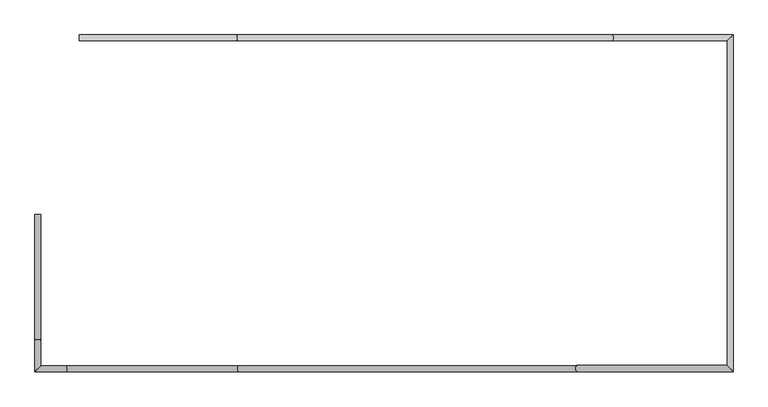
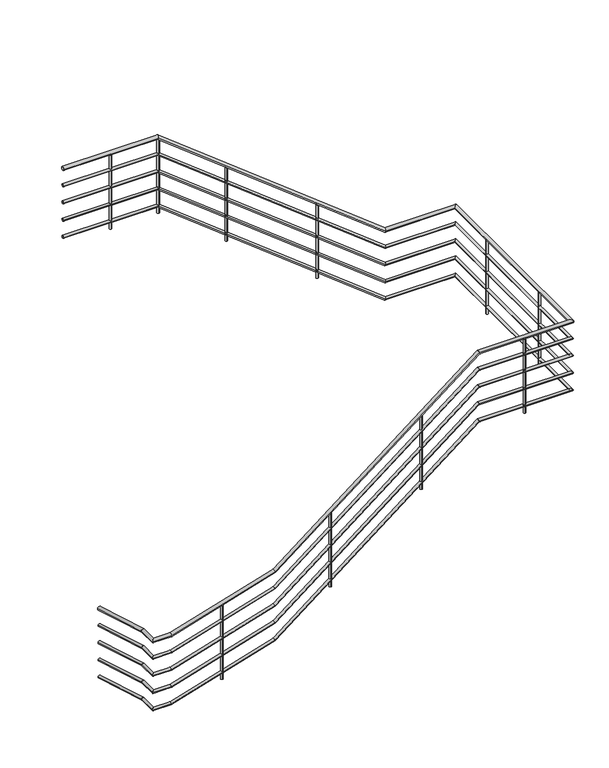
"""IFC4 building model written with IfcOpenShell, lengths in millimetres: railing geometry."""

from ifc_helpers import new_model, si_unit, point, frame, frame_2d, origin, place, context, project, spatial, circle_curve, ellipse_curve, trimmed, segment, composite_curve, outline, extrude, source, transform, mapped, element, save
from ifc_brep_helpers import plane_surface, cylinder_surface, advanced_brep


def railing_caa4fcf6(model_context):
    return source(origin(), model_context, "Body", "SolidModel", [
        advanced_brep(
        [(-3200.9784025, 14849.6868987, 1174.7979458), (-3240.9784025, 14849.6868987, 1174.7979458), (-3200.9784025, 14015.8414919, 1421.0960026), (-3240.9784025, 14015.8414919, 1421.0960026), (-3200.9784025, 13844.6868987, 1421.0960026), (-3240.9784025, 13804.6868987, 1421.0960026), (-3027.6146824, 13844.6868987, 1421.0960026), (-3027.6146824, 13804.6868987, 1421.0960026), (-1886.6133154, 13844.6868987, 1764.5412302), (-1886.6133154, 13804.6868987, 1764.5412302), (360.917335, 13844.6868987, 3523.4782609), (360.917335, 13804.6868987, 3523.4782609), (1359.0215975, 13844.6868987, 3523.4782609), (1399.0215975, 13804.6868987, 3523.4782609), (1359.0215975, 16004.6868987, 3523.4782609), (1399.0215975, 16044.6868987, 3523.4782609), (597.12586, 16004.6868987, 3523.4782609), (597.12586, 16044.6868987, 3523.4782609), (-1902.87414, 16004.6868987, 5480.0), (-1902.87414, 16044.6868987, 5480.0), (-2945.9784025, 16004.6868987, 5480.0), (-2945.9784025, 16044.6868987, 5480.0)],
        [
            (0, 1, ellipse_curve(frame((-3220.9784025, 14849.6868987, 1174.7979458), z_axis=(0.0, 1.0, 0.0), x_axis=(0.0, 0.0, -1.0)), 20.8542281, 20.0)),
            (1, 0, ellipse_curve(frame((-3220.9784025, 14849.6868987, 1174.7979458), z_axis=(0.0, 1.0, 0.0), x_axis=(0.0, 0.0, -1.0)), 20.8542281, 20.0)),
            (0, 2),
            (2, 3, ellipse_curve(frame((-3220.9784025, 14015.8414919, 1421.0960026), z_axis=(0.0, 0.9897065555705843, -0.14311161329748837), x_axis=(0.0, -0.14311161329748787, -0.9897065555705845)), 20.20801, 20.0)),
            (3, 1),
            (3, 2, ellipse_curve(frame((-3220.9784025, 14015.8414919, 1421.0960026), z_axis=(0.0, 0.9897065555705843, -0.14311161329748837), x_axis=(0.0, -0.14311161329748787, -0.9897065555705845)), 20.20801, 20.0)),
            (2, 4),
            (4, 5, ellipse_curve(frame((-3220.9784025, 13824.6868987, 1421.0960026), z_axis=(-0.7071067811865457, 0.7071067811865495, 0.0), x_axis=(0.7071067811865496, 0.7071067811865456, 0.0)), 28.2842712, 20.0)),
            (5, 3),
            (5, 4, ellipse_curve(frame((-3220.9784025, 13824.6868987, 1421.0960026), z_axis=(-0.7071067811865457, 0.7071067811865495, 0.0), x_axis=(0.7071067811865496, 0.7071067811865456, 0.0)), 28.2842712, 20.0)),
            (4, 6),
            (6, 7, ellipse_curve(frame((-3027.6146824, 13824.6868987, 1421.0960026), z_axis=(-0.9893334749202307, 0.0, -0.14566837474984434), x_axis=(-0.1456683747498451, 0.0, 0.9893334749202306)), 20.2156305, 20.0)),
            (7, 5),
            (7, 6, ellipse_curve(frame((-3027.6146824, 13824.6868987, 1421.0960026), z_axis=(-0.9893334749202307, 0.0, -0.14566837474984434), x_axis=(-0.1456683747498451, 0.0, 0.9893334749202306)), 20.2156305, 20.0)),
            (6, 8),
            (8, 9, ellipse_curve(frame((-1886.6133154, 13824.6868987, 1764.5412302), z_axis=(-0.8878193491837231, 0.0, -0.4601921372807127), x_axis=(-0.46019213728071345, 0.0, 0.8878193491837229)), 20.3503849, 20.0)),
            (9, 7),
            (9, 8, ellipse_curve(frame((-1886.6133154, 13824.6868987, 1764.5412302), z_axis=(-0.8878193491837231, 0.0, -0.4601921372807127), x_axis=(-0.46019213728071345, 0.0, 0.8878193491837229)), 20.3503849, 20.0)),
            (8, 10),
            (10, 11, ellipse_curve(frame((360.917335, 13824.6868987, 3523.4782609), z_axis=(-0.9453848425396894, 0.0, -0.3259562846398379), x_axis=(0.3259562846398384, 0.0, -0.9453848425396891)), 21.1554058, 20.0)),
            (11, 9),
            (11, 10, ellipse_curve(frame((360.917335, 13824.6868987, 3523.4782609), z_axis=(-0.9453848425396894, 0.0, -0.3259562846398379), x_axis=(0.3259562846398384, 0.0, -0.9453848425396891)), 21.1554058, 20.0)),
            (10, 12),
            (12, 13, ellipse_curve(frame((1379.0215975, 13824.6868987, 3523.4782609), z_axis=(-0.7071067811865476, -0.7071067811865474, 0.0), x_axis=(-0.7071067811865475, 0.7071067811865475, 0.0)), 28.2842712, 20.0)),
            (13, 11),
            (13, 12, ellipse_curve(frame((1379.0215975, 13824.6868987, 3523.4782609), z_axis=(-0.7071067811865476, -0.7071067811865474, 0.0), x_axis=(-0.7071067811865475, 0.7071067811865475, 0.0)), 28.2842712, 20.0)),
            (12, 14),
            (14, 15, ellipse_curve(frame((1379.0215975, 16024.6868987, 3523.4782609), z_axis=(0.707106781186545, -0.7071067811865498, 0.0), x_axis=(-0.7071067811865497, -0.7071067811865454, 0.0)), 28.2842712, 20.0)),
            (15, 13),
            (15, 14, ellipse_curve(frame((1379.0215975, 16024.6868987, 3523.4782609), z_axis=(0.707106781186545, -0.7071067811865498, 0.0), x_axis=(-0.7071067811865497, -0.7071067811865454, 0.0)), 28.2842712, 20.0)),
            (14, 16),
            (16, 17, ellipse_curve(frame((597.12586, 16024.6868987, 3523.4782609), z_axis=(0.9453848425396891, 0.0, -0.32595628463983795), x_axis=(0.3259562846398383, 0.0, 0.9453848425396892)), 21.1554058, 20.0)),
            (17, 15),
            (17, 16, ellipse_curve(frame((597.12586, 16024.6868987, 3523.4782609), z_axis=(0.9453848425396891, 0.0, -0.32595628463983795), x_axis=(0.3259562846398383, 0.0, 0.9453848425396892)), 21.1554058, 20.0)),
            (16, 18),
            (18, 19, ellipse_curve(frame((-1902.87414, 16024.6868987, 5480.0), z_axis=(0.9453848425396891, 0.0, -0.3259562846398379), x_axis=(-0.3259562846398378, 0.0, -0.9453848425396891)), 21.1554058, 20.0)),
            (19, 17),
            (19, 18, ellipse_curve(frame((-1902.87414, 16024.6868987, 5480.0), z_axis=(0.9453848425396891, 0.0, -0.3259562846398379), x_axis=(-0.3259562846398378, 0.0, -0.9453848425396891)), 21.1554058, 20.0)),
            (20, 21, circle_curve(frame((-2945.9784025, 16024.6868987, 5480.0), z_axis=(-1.0, 0.0, 0.0), x_axis=(0.0, 1.0, 0.0)), 20.0)),
            (21, 20, circle_curve(frame((-2945.9784025, 16024.6868987, 5480.0), z_axis=(-1.0, 0.0, 0.0), x_axis=(0.0, 1.0, 0.0)), 20.0)),
            (18, 20),
            (21, 19),
        ],
        [
            plane_surface(frame((-3220.9784025, 14849.6868987, 1195.6521739), z_axis=(0.0, 1.0, 0.0), x_axis=(0.0, 0.0, -1.0))),
            cylinder_surface(frame((-3220.9784025, 14844.0213586, 1176.4714113), z_axis=(0.0, 0.9590381322787803, -0.2832770037176134), x_axis=(-1.0, 0.0, 0.0)), 20.0),
            cylinder_surface(frame((-3220.9784025, 14018.7334928, 1421.0960026), z_axis=(0.0, 1.0, 0.0), x_axis=(-1.0, 0.0, 0.0)), 20.0),
            cylinder_surface(frame((-3220.9784025, 13824.6868987, 1421.0960026), z_axis=(-1.0, 0.0, 0.0), x_axis=(0.0, -1.0, 0.0)), 20.0),
            cylinder_surface(frame((-3024.7948765, 13824.6868987, 1421.9447736), z_axis=(-0.9575614491954779, 0.0, -0.2882291987544919), x_axis=(0.0, -1.0, 0.0)), 20.0),
            cylinder_surface(frame((-1883.6522373, 13824.6868987, 1766.8585956), z_axis=(-0.787505001007586, 0.0, -0.6163082616581105), x_axis=(0.0, -1.0, 0.0)), 20.0),
            cylinder_surface(frame((354.0215975, 13824.6868987, 3523.4782609), z_axis=(-1.0, 0.0, 0.0), x_axis=(0.0, -1.0, 0.0)), 20.0),
            cylinder_surface(frame((1379.0215975, 13824.6868987, 3523.4782609), z_axis=(0.0, -1.0, 0.0), x_axis=(1.0, 0.0, 0.0)), 20.0),
            cylinder_surface(frame((1379.0215975, 16024.6868987, 3523.4782609), z_axis=(1.0, 0.0, 0.0), x_axis=(0.0, 1.0, 0.0)), 20.0),
            cylinder_surface(frame((591.6954323, 16024.6868987, 3527.7281608), z_axis=(0.7875050010075859, 0.0, -0.6163082616581107), x_axis=(0.0, 1.0, 0.0)), 20.0),
            plane_surface(frame((-2945.9784025, 16024.6868987, 5500.0), z_axis=(-1.0, 0.0, 0.0), x_axis=(0.0, -1.0, 0.0))),
            cylinder_surface(frame((-1895.9784025, 16024.6868987, 5480.0), z_axis=(1.0, 0.0, 0.0), x_axis=(0.0, 1.0, 0.0)), 20.0),
        ],
        [
            (0, [[1, 2]]),
            (1, [[-1, 3, 4, 5]]),
            (1, [[-2, -5, 6, -3]]),
            (2, [[-4, 7, 8, 9]]),
            (2, [[-6, -9, 10, -7]]),
            (3, [[-8, 11, 12, 13]]),
            (3, [[-10, -13, 14, -11]]),
            (4, [[-12, 15, 16, 17]]),
            (4, [[-14, -17, 18, -15]]),
            (5, [[-16, 19, 20, 21]]),
            (5, [[-18, -21, 22, -19]]),
            (6, [[-20, 23, 24, 25]]),
            (6, [[-22, -25, 26, -23]]),
            (7, [[-24, 27, 28, 29]]),
            (7, [[-26, -29, 30, -27]]),
            (8, [[-28, 31, 32, 33]]),
            (8, [[-30, -33, 34, -31]]),
            (9, [[-32, 35, 36, 37]]),
            (9, [[-34, -37, 38, -35]]),
            (10, [[39, 40]]),
            (11, [[-36, 41, -40, 42]]),
            (11, [[-38, -42, -39, -41]]),
        ],
    ),
        advanced_brep(
        [(-3205.9784025, 14849.6868987, 980.0115028), (-3235.9784025, 14849.6868987, 980.0115028), (-3205.9784025, 14016.5644921, 1226.0960026), (-3235.9784025, 14016.5644921, 1226.0960026), (-3205.9784025, 13839.6868987, 1226.0960026), (-3235.9784025, 13809.6868987, 1226.0960026), (-3028.3508769, 13839.6868987, 1226.0960026), (-3028.3508769, 13809.6868987, 1226.0960026), (-1888.9545872, 13839.6868987, 1569.0580965), (-1888.9545872, 13809.6868987, 1569.0580965), (359.1934006, 13839.6868987, 3328.4782609), (359.1934006, 13809.6868987, 3328.4782609), (1364.0215975, 13839.6868987, 3328.4782609), (1394.0215975, 13809.6868987, 3328.4782609), (1364.0215975, 16009.6868987, 3328.4782609), (1394.0215975, 16039.6868987, 3328.4782609), (598.8497944, 16009.6868987, 3328.4782609), (598.8497944, 16039.6868987, 3328.4782609), (-1901.1502056, 16009.6868987, 5285.0), (-1901.1502056, 16039.6868987, 5285.0), (-2945.9784025, 16009.6868987, 5285.0), (-2945.9784025, 16039.6868987, 5285.0)],
        [
            (0, 1, ellipse_curve(frame((-3220.9784025, 14849.6868987, 980.0115028), z_axis=(0.0, 1.0, 0.0), x_axis=(0.0, 0.0, -1.0)), 15.6406711, 15.0)),
            (1, 0, ellipse_curve(frame((-3220.9784025, 14849.6868987, 980.0115028), z_axis=(0.0, 1.0, 0.0), x_axis=(0.0, 0.0, -1.0)), 15.6406711, 15.0)),
            (0, 2),
            (2, 3, ellipse_curve(frame((-3220.9784025, 14016.5644921, 1226.0960026), z_axis=(0.0, 0.9897065555705843, -0.14311161329748837), x_axis=(0.0, -0.14311161329748787, -0.9897065555705845)), 15.1560075, 15.0)),
            (3, 1),
            (3, 2, ellipse_curve(frame((-3220.9784025, 14016.5644921, 1226.0960026), z_axis=(0.0, 0.9897065555705843, -0.14311161329748837), x_axis=(0.0, -0.14311161329748787, -0.9897065555705845)), 15.1560075, 15.0)),
            (2, 4),
            (4, 5, ellipse_curve(frame((-3220.9784025, 13824.6868987, 1226.0960026), z_axis=(-0.7071067811865457, 0.7071067811865495, 0.0), x_axis=(0.7071067811865496, 0.7071067811865456, 0.0)), 21.2132034, 15.0)),
            (5, 3),
            (5, 4, ellipse_curve(frame((-3220.9784025, 13824.6868987, 1226.0960026), z_axis=(-0.7071067811865457, 0.7071067811865495, 0.0), x_axis=(0.7071067811865496, 0.7071067811865456, 0.0)), 21.2132034, 15.0)),
            (4, 6),
            (6, 7, ellipse_curve(frame((-3028.3508769, 13824.6868987, 1226.0960026), z_axis=(-0.9893334749202307, 0.0, -0.14566837474984434), x_axis=(-0.1456683747498451, 0.0, 0.9893334749202306)), 15.1617229, 15.0)),
            (7, 5),
            (7, 6, ellipse_curve(frame((-3028.3508769, 13824.6868987, 1226.0960026), z_axis=(-0.9893334749202307, 0.0, -0.14566837474984434), x_axis=(-0.1456683747498451, 0.0, 0.9893334749202306)), 15.1617229, 15.0)),
            (6, 8),
            (8, 9, ellipse_curve(frame((-1888.9545872, 13824.6868987, 1569.0580965), z_axis=(-0.8878193491837231, 0.0, -0.4601921372807127), x_axis=(-0.46019213728071345, 0.0, 0.8878193491837229)), 15.2627887, 15.0)),
            (9, 7),
            (9, 8, ellipse_curve(frame((-1888.9545872, 13824.6868987, 1569.0580965), z_axis=(-0.8878193491837231, 0.0, -0.4601921372807127), x_axis=(-0.46019213728071345, 0.0, 0.8878193491837229)), 15.2627887, 15.0)),
            (8, 10),
            (10, 11, ellipse_curve(frame((359.1934006, 13824.6868987, 3328.4782609), z_axis=(-0.9453848425396894, 0.0, -0.3259562846398379), x_axis=(0.3259562846398384, 0.0, -0.9453848425396891)), 15.8665544, 15.0)),
            (11, 9),
            (11, 10, ellipse_curve(frame((359.1934006, 13824.6868987, 3328.4782609), z_axis=(-0.9453848425396894, 0.0, -0.3259562846398379), x_axis=(0.3259562846398384, 0.0, -0.9453848425396891)), 15.8665544, 15.0)),
            (10, 12),
            (12, 13, ellipse_curve(frame((1379.0215975, 13824.6868987, 3328.4782609), z_axis=(-0.7071067811865476, -0.7071067811865474, 0.0), x_axis=(-0.7071067811865475, 0.7071067811865475, 0.0)), 21.2132034, 15.0)),
            (13, 11),
            (13, 12, ellipse_curve(frame((1379.0215975, 13824.6868987, 3328.4782609), z_axis=(-0.7071067811865476, -0.7071067811865474, 0.0), x_axis=(-0.7071067811865475, 0.7071067811865475, 0.0)), 21.2132034, 15.0)),
            (12, 14),
            (14, 15, ellipse_curve(frame((1379.0215975, 16024.6868987, 3328.4782609), z_axis=(0.707106781186545, -0.7071067811865498, 0.0), x_axis=(-0.7071067811865497, -0.7071067811865454, 0.0)), 21.2132034, 15.0)),
            (15, 13),
            (15, 14, ellipse_curve(frame((1379.0215975, 16024.6868987, 3328.4782609), z_axis=(0.707106781186545, -0.7071067811865498, 0.0), x_axis=(-0.7071067811865497, -0.7071067811865454, 0.0)), 21.2132034, 15.0)),
            (14, 16),
            (16, 17, ellipse_curve(frame((598.8497944, 16024.6868987, 3328.4782609), z_axis=(0.9453848425396891, 0.0, -0.32595628463983795), x_axis=(0.3259562846398383, 0.0, 0.9453848425396892)), 15.8665544, 15.0)),
            (17, 15),
            (17, 16, ellipse_curve(frame((598.8497944, 16024.6868987, 3328.4782609), z_axis=(0.9453848425396891, 0.0, -0.32595628463983795), x_axis=(0.3259562846398383, 0.0, 0.9453848425396892)), 15.8665544, 15.0)),
            (16, 18),
            (18, 19, ellipse_curve(frame((-1901.1502056, 16024.6868987, 5285.0), z_axis=(0.9453848425396891, 0.0, -0.3259562846398379), x_axis=(-0.3259562846398378, 0.0, -0.9453848425396891)), 15.8665544, 15.0)),
            (19, 17),
            (19, 18, ellipse_curve(frame((-1901.1502056, 16024.6868987, 5285.0), z_axis=(0.9453848425396891, 0.0, -0.3259562846398379), x_axis=(-0.3259562846398378, 0.0, -0.9453848425396891)), 15.8665544, 15.0)),
            (20, 21, circle_curve(frame((-2945.9784025, 16024.6868987, 5285.0), z_axis=(-1.0, 0.0, 0.0), x_axis=(0.0, 1.0, 0.0)), 15.0)),
            (21, 20, circle_curve(frame((-2945.9784025, 16024.6868987, 5285.0), z_axis=(-1.0, 0.0, 0.0), x_axis=(0.0, 1.0, 0.0)), 15.0)),
            (18, 20),
            (21, 19),
        ],
        [
            plane_surface(frame((-3220.9784025, 14849.6868987, 995.6521739), z_axis=(0.0, 1.0, 0.0), x_axis=(0.0, 0.0, -1.0))),
            cylinder_surface(frame((-3220.9784025, 14845.4377436, 981.2666019), z_axis=(0.0, 0.9590381322787803, -0.2832770037176134), x_axis=(-1.0, 0.0, 0.0)), 15.0),
            cylinder_surface(frame((-3220.9784025, 14018.7334928, 1226.0960026), z_axis=(0.0, 1.0, 0.0), x_axis=(-1.0, 0.0, 0.0)), 15.0),
            cylinder_surface(frame((-3220.9784025, 13824.6868987, 1226.0960026), z_axis=(-1.0, 0.0, 0.0), x_axis=(0.0, -1.0, 0.0)), 15.0),
            cylinder_surface(frame((-3026.2360225, 13824.6868987, 1226.7325809), z_axis=(-0.9575614491954779, 0.0, -0.2882291987544919), x_axis=(0.0, -1.0, 0.0)), 15.0),
            cylinder_surface(frame((-1886.7337786, 13824.6868987, 1570.7961206), z_axis=(-0.787505001007586, 0.0, -0.6163082616581105), x_axis=(0.0, -1.0, 0.0)), 15.0),
            cylinder_surface(frame((354.0215975, 13824.6868987, 3328.4782609), z_axis=(-1.0, 0.0, 0.0), x_axis=(0.0, -1.0, 0.0)), 15.0),
            cylinder_surface(frame((1379.0215975, 13824.6868987, 3328.4782609), z_axis=(0.0, -1.0, 0.0), x_axis=(1.0, 0.0, 0.0)), 15.0),
            cylinder_surface(frame((1379.0215975, 16024.6868987, 3328.4782609), z_axis=(1.0, 0.0, 0.0), x_axis=(0.0, 1.0, 0.0)), 15.0),
            cylinder_surface(frame((594.7769736, 16024.6868987, 3331.6656859), z_axis=(0.7875050010075859, 0.0, -0.6163082616581107), x_axis=(0.0, 1.0, 0.0)), 15.0),
            plane_surface(frame((-2945.9784025, 16024.6868987, 5300.0), z_axis=(-1.0, 0.0, 0.0), x_axis=(0.0, -1.0, 0.0))),
            cylinder_surface(frame((-1895.9784025, 16024.6868987, 5285.0), z_axis=(1.0, 0.0, 0.0), x_axis=(0.0, 1.0, 0.0)), 15.0),
        ],
        [
            (0, [[1, 2]]),
            (1, [[-1, 3, 4, 5]]),
            (1, [[-2, -5, 6, -3]]),
            (2, [[-4, 7, 8, 9]]),
            (2, [[-6, -9, 10, -7]]),
            (3, [[-8, 11, 12, 13]]),
            (3, [[-10, -13, 14, -11]]),
            (4, [[-12, 15, 16, 17]]),
            (4, [[-14, -17, 18, -15]]),
            (5, [[-16, 19, 20, 21]]),
            (5, [[-18, -21, 22, -19]]),
            (6, [[-20, 23, 24, 25]]),
            (6, [[-22, -25, 26, -23]]),
            (7, [[-24, 27, 28, 29]]),
            (7, [[-26, -29, 30, -27]]),
            (8, [[-28, 31, 32, 33]]),
            (8, [[-30, -33, 34, -31]]),
            (9, [[-32, 35, 36, 37]]),
            (9, [[-34, -37, 38, -35]]),
            (10, [[39, 40]]),
            (11, [[-36, 41, -40, 42]]),
            (11, [[-38, -42, -39, -41]]),
        ],
    ),
        advanced_brep(
        [(-3205.9784025, 14849.6868987, 780.0115028), (-3235.9784025, 14849.6868987, 780.0115028), (-3205.9784025, 14016.5644921, 1026.0960026), (-3235.9784025, 14016.5644921, 1026.0960026), (-3205.9784025, 13839.6868987, 1026.0960026), (-3235.9784025, 13809.6868987, 1026.0960026), (-3028.3508769, 13839.6868987, 1026.0960026), (-3028.3508769, 13809.6868987, 1026.0960026), (-1888.9545872, 13839.6868987, 1369.0580965), (-1888.9545872, 13809.6868987, 1369.0580965), (359.1934006, 13839.6868987, 3128.4782609), (359.1934006, 13809.6868987, 3128.4782609), (1364.0215975, 13839.6868987, 3128.4782609), (1394.0215975, 13809.6868987, 3128.4782609), (1364.0215975, 16009.6868987, 3128.4782609), (1394.0215975, 16039.6868987, 3128.4782609), (598.8497944, 16009.6868987, 3128.4782609), (598.8497944, 16039.6868987, 3128.4782609), (-1901.1502056, 16009.6868987, 5085.0), (-1901.1502056, 16039.6868987, 5085.0), (-2945.9784025, 16009.6868987, 5085.0), (-2945.9784025, 16039.6868987, 5085.0)],
        [
            (0, 1, ellipse_curve(frame((-3220.9784025, 14849.6868987, 780.0115028), z_axis=(0.0, 1.0, 0.0), x_axis=(0.0, 0.0, -1.0)), 15.6406711, 15.0)),
            (1, 0, ellipse_curve(frame((-3220.9784025, 14849.6868987, 780.0115028), z_axis=(0.0, 1.0, 0.0), x_axis=(0.0, 0.0, -1.0)), 15.6406711, 15.0)),
            (0, 2),
            (2, 3, ellipse_curve(frame((-3220.9784025, 14016.5644921, 1026.0960026), z_axis=(0.0, 0.9897065555705843, -0.14311161329748837), x_axis=(0.0, -0.14311161329748787, -0.9897065555705845)), 15.1560075, 15.0)),
            (3, 1),
            (3, 2, ellipse_curve(frame((-3220.9784025, 14016.5644921, 1026.0960026), z_axis=(0.0, 0.9897065555705843, -0.14311161329748837), x_axis=(0.0, -0.14311161329748787, -0.9897065555705845)), 15.1560075, 15.0)),
            (2, 4),
            (4, 5, ellipse_curve(frame((-3220.9784025, 13824.6868987, 1026.0960026), z_axis=(-0.7071067811865457, 0.7071067811865495, 0.0), x_axis=(0.7071067811865496, 0.7071067811865456, 0.0)), 21.2132034, 15.0)),
            (5, 3),
            (5, 4, ellipse_curve(frame((-3220.9784025, 13824.6868987, 1026.0960026), z_axis=(-0.7071067811865457, 0.7071067811865495, 0.0), x_axis=(0.7071067811865496, 0.7071067811865456, 0.0)), 21.2132034, 15.0)),
            (4, 6),
            (6, 7, ellipse_curve(frame((-3028.3508769, 13824.6868987, 1026.0960026), z_axis=(-0.9893334749202307, 0.0, -0.14566837474984434), x_axis=(-0.1456683747498451, 0.0, 0.9893334749202306)), 15.1617229, 15.0)),
            (7, 5),
            (7, 6, ellipse_curve(frame((-3028.3508769, 13824.6868987, 1026.0960026), z_axis=(-0.9893334749202307, 0.0, -0.14566837474984434), x_axis=(-0.1456683747498451, 0.0, 0.9893334749202306)), 15.1617229, 15.0)),
            (6, 8),
            (8, 9, ellipse_curve(frame((-1888.9545872, 13824.6868987, 1369.0580965), z_axis=(-0.8878193491837231, 0.0, -0.4601921372807127), x_axis=(-0.46019213728071345, 0.0, 0.8878193491837229)), 15.2627887, 15.0)),
            (9, 7),
            (9, 8, ellipse_curve(frame((-1888.9545872, 13824.6868987, 1369.0580965), z_axis=(-0.8878193491837231, 0.0, -0.4601921372807127), x_axis=(-0.46019213728071345, 0.0, 0.8878193491837229)), 15.2627887, 15.0)),
            (8, 10),
            (10, 11, ellipse_curve(frame((359.1934006, 13824.6868987, 3128.4782609), z_axis=(-0.9453848425396894, 0.0, -0.3259562846398379), x_axis=(0.3259562846398384, 0.0, -0.9453848425396891)), 15.8665544, 15.0)),
            (11, 9),
            (11, 10, ellipse_curve(frame((359.1934006, 13824.6868987, 3128.4782609), z_axis=(-0.9453848425396894, 0.0, -0.3259562846398379), x_axis=(0.3259562846398384, 0.0, -0.9453848425396891)), 15.8665544, 15.0)),
            (10, 12),
            (12, 13, ellipse_curve(frame((1379.0215975, 13824.6868987, 3128.4782609), z_axis=(-0.7071067811865476, -0.7071067811865474, 0.0), x_axis=(-0.7071067811865475, 0.7071067811865475, 0.0)), 21.2132034, 15.0)),
            (13, 11),
            (13, 12, ellipse_curve(frame((1379.0215975, 13824.6868987, 3128.4782609), z_axis=(-0.7071067811865476, -0.7071067811865474, 0.0), x_axis=(-0.7071067811865475, 0.7071067811865475, 0.0)), 21.2132034, 15.0)),
            (12, 14),
            (14, 15, ellipse_curve(frame((1379.0215975, 16024.6868987, 3128.4782609), z_axis=(0.707106781186545, -0.7071067811865498, 0.0), x_axis=(-0.7071067811865497, -0.7071067811865454, 0.0)), 21.2132034, 15.0)),
            (15, 13),
            (15, 14, ellipse_curve(frame((1379.0215975, 16024.6868987, 3128.4782609), z_axis=(0.707106781186545, -0.7071067811865498, 0.0), x_axis=(-0.7071067811865497, -0.7071067811865454, 0.0)), 21.2132034, 15.0)),
            (14, 16),
            (16, 17, ellipse_curve(frame((598.8497944, 16024.6868987, 3128.4782609), z_axis=(0.9453848425396891, 0.0, -0.32595628463983795), x_axis=(0.3259562846398383, 0.0, 0.9453848425396892)), 15.8665544, 15.0)),
            (17, 15),
            (17, 16, ellipse_curve(frame((598.8497944, 16024.6868987, 3128.4782609), z_axis=(0.9453848425396891, 0.0, -0.32595628463983795), x_axis=(0.3259562846398383, 0.0, 0.9453848425396892)), 15.8665544, 15.0)),
            (16, 18),
            (18, 19, ellipse_curve(frame((-1901.1502056, 16024.6868987, 5085.0), z_axis=(0.9453848425396891, 0.0, -0.3259562846398379), x_axis=(-0.3259562846398378, 0.0, -0.9453848425396891)), 15.8665544, 15.0)),
            (19, 17),
            (19, 18, ellipse_curve(frame((-1901.1502056, 16024.6868987, 5085.0), z_axis=(0.9453848425396891, 0.0, -0.3259562846398379), x_axis=(-0.3259562846398378, 0.0, -0.9453848425396891)), 15.8665544, 15.0)),
            (20, 21, circle_curve(frame((-2945.9784025, 16024.6868987, 5085.0), z_axis=(-1.0, 0.0, 0.0), x_axis=(0.0, 1.0, 0.0)), 15.0)),
            (21, 20, circle_curve(frame((-2945.9784025, 16024.6868987, 5085.0), z_axis=(-1.0, 0.0, 0.0), x_axis=(0.0, 1.0, 0.0)), 15.0)),
            (18, 20),
            (21, 19),
        ],
        [
            plane_surface(frame((-3220.9784025, 14849.6868987, 795.6521739), z_axis=(0.0, 1.0, 0.0), x_axis=(0.0, 0.0, -1.0))),
            cylinder_surface(frame((-3220.9784025, 14845.4377436, 781.2666019), z_axis=(0.0, 0.9590381322787803, -0.2832770037176134), x_axis=(-1.0, 0.0, 0.0)), 15.0),
            cylinder_surface(frame((-3220.9784025, 14018.7334928, 1026.0960026), z_axis=(0.0, 1.0, 0.0), x_axis=(-1.0, 0.0, 0.0)), 15.0),
            cylinder_surface(frame((-3220.9784025, 13824.6868987, 1026.0960026), z_axis=(-1.0, 0.0, 0.0), x_axis=(0.0, -1.0, 0.0)), 15.0),
            cylinder_surface(frame((-3026.2360225, 13824.6868987, 1026.7325809), z_axis=(-0.9575614491954779, 0.0, -0.2882291987544919), x_axis=(0.0, -1.0, 0.0)), 15.0),
            cylinder_surface(frame((-1886.7337786, 13824.6868987, 1370.7961206), z_axis=(-0.787505001007586, 0.0, -0.6163082616581105), x_axis=(0.0, -1.0, 0.0)), 15.0),
            cylinder_surface(frame((354.0215975, 13824.6868987, 3128.4782609), z_axis=(-1.0, 0.0, 0.0), x_axis=(0.0, -1.0, 0.0)), 15.0),
            cylinder_surface(frame((1379.0215975, 13824.6868987, 3128.4782609), z_axis=(0.0, -1.0, 0.0), x_axis=(1.0, 0.0, 0.0)), 15.0),
            cylinder_surface(frame((1379.0215975, 16024.6868987, 3128.4782609), z_axis=(1.0, 0.0, 0.0), x_axis=(0.0, 1.0, 0.0)), 15.0),
            cylinder_surface(frame((594.7769736, 16024.6868987, 3131.6656859), z_axis=(0.7875050010075859, 0.0, -0.6163082616581107), x_axis=(0.0, 1.0, 0.0)), 15.0),
            plane_surface(frame((-2945.9784025, 16024.6868987, 5100.0), z_axis=(-1.0, 0.0, 0.0), x_axis=(0.0, -1.0, 0.0))),
            cylinder_surface(frame((-1895.9784025, 16024.6868987, 5085.0), z_axis=(1.0, 0.0, 0.0), x_axis=(0.0, 1.0, 0.0)), 15.0),
        ],
        [
            (0, [[1, 2]]),
            (1, [[-1, 3, 4, 5]]),
            (1, [[-2, -5, 6, -3]]),
            (2, [[-4, 7, 8, 9]]),
            (2, [[-6, -9, 10, -7]]),
            (3, [[-8, 11, 12, 13]]),
            (3, [[-10, -13, 14, -11]]),
            (4, [[-12, 15, 16, 17]]),
            (4, [[-14, -17, 18, -15]]),
            (5, [[-16, 19, 20, 21]]),
            (5, [[-18, -21, 22, -19]]),
            (6, [[-20, 23, 24, 25]]),
            (6, [[-22, -25, 26, -23]]),
            (7, [[-24, 27, 28, 29]]),
            (7, [[-26, -29, 30, -27]]),
            (8, [[-28, 31, 32, 33]]),
            (8, [[-30, -33, 34, -31]]),
            (9, [[-32, 35, 36, 37]]),
            (9, [[-34, -37, 38, -35]]),
            (10, [[39, 40]]),
            (11, [[-36, 41, -40, 42]]),
            (11, [[-38, -42, -39, -41]]),
        ],
    ),
        advanced_brep(
        [(-3205.9784025, 14849.6868987, 580.0115028), (-3235.9784025, 14849.6868987, 580.0115028), (-3205.9784025, 14016.5644921, 826.0960026), (-3235.9784025, 14016.5644921, 826.0960026), (-3205.9784025, 13839.6868987, 826.0960026), (-3235.9784025, 13809.6868987, 826.0960026), (-3028.3508769, 13839.6868987, 826.0960026), (-3028.3508769, 13809.6868987, 826.0960026), (-1888.9545872, 13839.6868987, 1169.0580965), (-1888.9545872, 13809.6868987, 1169.0580965), (359.1934006, 13839.6868987, 2928.4782609), (359.1934006, 13809.6868987, 2928.4782609), (1364.0215975, 13839.6868987, 2928.4782609), (1394.0215975, 13809.6868987, 2928.4782609), (1364.0215975, 16009.6868987, 2928.4782609), (1394.0215975, 16039.6868987, 2928.4782609), (598.8497944, 16009.6868987, 2928.4782609), (598.8497944, 16039.6868987, 2928.4782609), (-1901.1502056, 16009.6868987, 4885.0), (-1901.1502056, 16039.6868987, 4885.0), (-2945.9784025, 16009.6868987, 4885.0), (-2945.9784025, 16039.6868987, 4885.0)],
        [
            (0, 1, ellipse_curve(frame((-3220.9784025, 14849.6868987, 580.0115028), z_axis=(0.0, 1.0, 0.0), x_axis=(0.0, 0.0, -1.0)), 15.6406711, 15.0)),
            (1, 0, ellipse_curve(frame((-3220.9784025, 14849.6868987, 580.0115028), z_axis=(0.0, 1.0, 0.0), x_axis=(0.0, 0.0, -1.0)), 15.6406711, 15.0)),
            (0, 2),
            (2, 3, ellipse_curve(frame((-3220.9784025, 14016.5644921, 826.0960026), z_axis=(0.0, 0.9897065555705843, -0.14311161329748837), x_axis=(0.0, -0.14311161329748787, -0.9897065555705845)), 15.1560075, 15.0)),
            (3, 1),
            (3, 2, ellipse_curve(frame((-3220.9784025, 14016.5644921, 826.0960026), z_axis=(0.0, 0.9897065555705843, -0.14311161329748837), x_axis=(0.0, -0.14311161329748787, -0.9897065555705845)), 15.1560075, 15.0)),
            (2, 4),
            (4, 5, ellipse_curve(frame((-3220.9784025, 13824.6868987, 826.0960026), z_axis=(-0.7071067811865457, 0.7071067811865495, 0.0), x_axis=(0.7071067811865496, 0.7071067811865456, 0.0)), 21.2132034, 15.0)),
            (5, 3),
            (5, 4, ellipse_curve(frame((-3220.9784025, 13824.6868987, 826.0960026), z_axis=(-0.7071067811865457, 0.7071067811865495, 0.0), x_axis=(0.7071067811865496, 0.7071067811865456, 0.0)), 21.2132034, 15.0)),
            (4, 6),
            (6, 7, ellipse_curve(frame((-3028.3508769, 13824.6868987, 826.0960026), z_axis=(-0.9893334749202307, 0.0, -0.14566837474984431), x_axis=(-0.1456683747498451, 0.0, 0.9893334749202306)), 15.1617229, 15.0)),
            (7, 5),
            (7, 6, ellipse_curve(frame((-3028.3508769, 13824.6868987, 826.0960026), z_axis=(-0.9893334749202307, 0.0, -0.14566837474984431), x_axis=(-0.1456683747498451, 0.0, 0.9893334749202306)), 15.1617229, 15.0)),
            (6, 8),
            (8, 9, ellipse_curve(frame((-1888.9545872, 13824.6868987, 1169.0580965), z_axis=(-0.8878193491837231, 0.0, -0.4601921372807127), x_axis=(-0.46019213728071334, 0.0, 0.8878193491837229)), 15.2627887, 15.0)),
            (9, 7),
            (9, 8, ellipse_curve(frame((-1888.9545872, 13824.6868987, 1169.0580965), z_axis=(-0.8878193491837231, 0.0, -0.4601921372807127), x_axis=(-0.46019213728071334, 0.0, 0.8878193491837229)), 15.2627887, 15.0)),
            (8, 10),
            (10, 11, ellipse_curve(frame((359.1934006, 13824.6868987, 2928.4782609), z_axis=(-0.9453848425396891, 0.0, -0.32595628463983795), x_axis=(0.32595628463983767, 0.0, -0.9453848425396894)), 15.8665544, 15.0)),
            (11, 9),
            (11, 10, ellipse_curve(frame((359.1934006, 13824.6868987, 2928.4782609), z_axis=(-0.9453848425396891, 0.0, -0.32595628463983795), x_axis=(0.32595628463983767, 0.0, -0.9453848425396894)), 15.8665544, 15.0)),
            (10, 12),
            (12, 13, ellipse_curve(frame((1379.0215975, 13824.6868987, 2928.4782609), z_axis=(-0.7071067811865476, -0.7071067811865474, 0.0), x_axis=(-0.7071067811865475, 0.7071067811865475, 0.0)), 21.2132034, 15.0)),
            (13, 11),
            (13, 12, ellipse_curve(frame((1379.0215975, 13824.6868987, 2928.4782609), z_axis=(-0.7071067811865476, -0.7071067811865474, 0.0), x_axis=(-0.7071067811865475, 0.7071067811865475, 0.0)), 21.2132034, 15.0)),
            (12, 14),
            (14, 15, ellipse_curve(frame((1379.0215975, 16024.6868987, 2928.4782609), z_axis=(0.707106781186545, -0.7071067811865498, 0.0), x_axis=(-0.7071067811865497, -0.7071067811865454, 0.0)), 21.2132034, 15.0)),
            (15, 13),
            (15, 14, ellipse_curve(frame((1379.0215975, 16024.6868987, 2928.4782609), z_axis=(0.707106781186545, -0.7071067811865498, 0.0), x_axis=(-0.7071067811865497, -0.7071067811865454, 0.0)), 21.2132034, 15.0)),
            (14, 16),
            (16, 17, ellipse_curve(frame((598.8497944, 16024.6868987, 2928.4782609), z_axis=(0.9453848425396891, 0.0, -0.325956284639838), x_axis=(0.3259562846398383, 0.0, 0.9453848425396892)), 15.8665544, 15.0)),
            (17, 15),
            (17, 16, ellipse_curve(frame((598.8497944, 16024.6868987, 2928.4782609), z_axis=(0.9453848425396891, 0.0, -0.325956284639838), x_axis=(0.3259562846398383, 0.0, 0.9453848425396892)), 15.8665544, 15.0)),
            (16, 18),
            (18, 19, ellipse_curve(frame((-1901.1502056, 16024.6868987, 4885.0), z_axis=(0.9453848425396891, 0.0, -0.3259562846398379), x_axis=(-0.3259562846398378, 0.0, -0.9453848425396891)), 15.8665544, 15.0)),
            (19, 17),
            (19, 18, ellipse_curve(frame((-1901.1502056, 16024.6868987, 4885.0), z_axis=(0.9453848425396891, 0.0, -0.3259562846398379), x_axis=(-0.3259562846398378, 0.0, -0.9453848425396891)), 15.8665544, 15.0)),
            (20, 21, circle_curve(frame((-2945.9784025, 16024.6868987, 4885.0), z_axis=(-1.0, 0.0, 0.0), x_axis=(0.0, 1.0, 0.0)), 15.0)),
            (21, 20, circle_curve(frame((-2945.9784025, 16024.6868987, 4885.0), z_axis=(-1.0, 0.0, 0.0), x_axis=(0.0, 1.0, 0.0)), 15.0)),
            (18, 20),
            (21, 19),
        ],
        [
            plane_surface(frame((-3220.9784025, 14849.6868987, 595.6521739), z_axis=(0.0, 1.0, 0.0), x_axis=(0.0, 0.0, -1.0))),
            cylinder_surface(frame((-3220.9784025, 14845.4377436, 581.2666019), z_axis=(0.0, 0.9590381322787803, -0.2832770037176134), x_axis=(-1.0, 0.0, 0.0)), 15.0),
            cylinder_surface(frame((-3220.9784025, 14018.7334928, 826.0960026), z_axis=(0.0, 1.0, 0.0), x_axis=(-1.0, 0.0, 0.0)), 15.0),
            cylinder_surface(frame((-3220.9784025, 13824.6868987, 826.0960026), z_axis=(-1.0, 0.0, 0.0), x_axis=(0.0, -1.0, 0.0)), 15.0),
            cylinder_surface(frame((-3026.2360225, 13824.6868987, 826.7325809), z_axis=(-0.9575614491954779, 0.0, -0.2882291987544918), x_axis=(0.0, -1.0, 0.0)), 15.0),
            cylinder_surface(frame((-1886.7337786, 13824.6868987, 1170.7961206), z_axis=(-0.787505001007586, 0.0, -0.6163082616581106), x_axis=(0.0, -1.0, 0.0)), 15.0),
            cylinder_surface(frame((354.0215975, 13824.6868987, 2928.4782609), z_axis=(-1.0, 0.0, 0.0), x_axis=(0.0, -1.0, 0.0)), 15.0),
            cylinder_surface(frame((1379.0215975, 13824.6868987, 2928.4782609), z_axis=(0.0, -1.0, 0.0), x_axis=(1.0, 0.0, 0.0)), 15.0),
            cylinder_surface(frame((1379.0215975, 16024.6868987, 2928.4782609), z_axis=(1.0, 0.0, 0.0), x_axis=(0.0, 1.0, 0.0)), 15.0),
            cylinder_surface(frame((594.7769736, 16024.6868987, 2931.6656859), z_axis=(0.7875050010075859, 0.0, -0.6163082616581107), x_axis=(0.0, 1.0, 0.0)), 15.0),
            plane_surface(frame((-2945.9784025, 16024.6868987, 4900.0), z_axis=(-1.0, 0.0, 0.0), x_axis=(0.0, -1.0, 0.0))),
            cylinder_surface(frame((-1895.9784025, 16024.6868987, 4885.0), z_axis=(1.0, 0.0, 0.0), x_axis=(0.0, 1.0, 0.0)), 15.0),
        ],
        [
            (0, [[1, 2]]),
            (1, [[-1, 3, 4, 5]]),
            (1, [[-2, -5, 6, -3]]),
            (2, [[-4, 7, 8, 9]]),
            (2, [[-6, -9, 10, -7]]),
            (3, [[-8, 11, 12, 13]]),
            (3, [[-10, -13, 14, -11]]),
            (4, [[-12, 15, 16, 17]]),
            (4, [[-14, -17, 18, -15]]),
            (5, [[-16, 19, 20, 21]]),
            (5, [[-18, -21, 22, -19]]),
            (6, [[-20, 23, 24, 25]]),
            (6, [[-22, -25, 26, -23]]),
            (7, [[-24, 27, 28, 29]]),
            (7, [[-26, -29, 30, -27]]),
            (8, [[-28, 31, 32, 33]]),
            (8, [[-30, -33, 34, -31]]),
            (9, [[-32, 35, 36, 37]]),
            (9, [[-34, -37, 38, -35]]),
            (10, [[39, 40]]),
            (11, [[-36, 41, -40, 42]]),
            (11, [[-38, -42, -39, -41]]),
        ],
    ),
        advanced_brep(
        [(-3205.9784025, 14849.6868987, 380.0115028), (-3235.9784025, 14849.6868987, 380.0115028), (-3205.9784025, 14016.5644921, 626.0960026), (-3235.9784025, 14016.5644921, 626.0960026), (-3205.9784025, 13839.6868987, 626.0960026), (-3235.9784025, 13809.6868987, 626.0960026), (-3028.3508769, 13839.6868987, 626.0960026), (-3028.3508769, 13809.6868987, 626.0960026), (-1888.9545872, 13839.6868987, 969.0580965), (-1888.9545872, 13809.6868987, 969.0580965), (359.1934006, 13839.6868987, 2728.4782609), (359.1934006, 13809.6868987, 2728.4782609), (1364.0215975, 13839.6868987, 2728.4782609), (1394.0215975, 13809.6868987, 2728.4782609), (1364.0215975, 16009.6868987, 2728.4782609), (1394.0215975, 16039.6868987, 2728.4782609), (598.8497944, 16009.6868987, 2728.4782609), (598.8497944, 16039.6868987, 2728.4782609), (-1901.1502056, 16009.6868987, 4685.0), (-1901.1502056, 16039.6868987, 4685.0), (-2945.9784025, 16009.6868987, 4685.0), (-2945.9784025, 16039.6868987, 4685.0)],
        [
            (0, 1, ellipse_curve(frame((-3220.9784025, 14849.6868987, 380.0115028), z_axis=(0.0, 1.0, 0.0), x_axis=(0.0, 0.0, -1.0)), 15.6406711, 15.0)),
            (1, 0, ellipse_curve(frame((-3220.9784025, 14849.6868987, 380.0115028), z_axis=(0.0, 1.0, 0.0), x_axis=(0.0, 0.0, -1.0)), 15.6406711, 15.0)),
            (0, 2),
            (2, 3, ellipse_curve(frame((-3220.9784025, 14016.5644921, 626.0960026), z_axis=(0.0, 0.9897065555705843, -0.14311161329748837), x_axis=(0.0, -0.14311161329748787, -0.9897065555705845)), 15.1560075, 15.0)),
            (3, 1),
            (3, 2, ellipse_curve(frame((-3220.9784025, 14016.5644921, 626.0960026), z_axis=(0.0, 0.9897065555705843, -0.14311161329748837), x_axis=(0.0, -0.14311161329748787, -0.9897065555705845)), 15.1560075, 15.0)),
            (2, 4),
            (4, 5, ellipse_curve(frame((-3220.9784025, 13824.6868987, 626.0960026), z_axis=(-0.7071067811865457, 0.7071067811865495, 0.0), x_axis=(0.7071067811865496, 0.7071067811865456, 0.0)), 21.2132034, 15.0)),
            (5, 3),
            (5, 4, ellipse_curve(frame((-3220.9784025, 13824.6868987, 626.0960026), z_axis=(-0.7071067811865457, 0.7071067811865495, 0.0), x_axis=(0.7071067811865496, 0.7071067811865456, 0.0)), 21.2132034, 15.0)),
            (4, 6),
            (6, 7, ellipse_curve(frame((-3028.3508769, 13824.6868987, 626.0960026), z_axis=(-0.9893334749202307, 0.0, -0.14566837474984431), x_axis=(-0.1456683747498451, 0.0, 0.9893334749202306)), 15.1617229, 15.0)),
            (7, 5),
            (7, 6, ellipse_curve(frame((-3028.3508769, 13824.6868987, 626.0960026), z_axis=(-0.9893334749202307, 0.0, -0.14566837474984431), x_axis=(-0.1456683747498451, 0.0, 0.9893334749202306)), 15.1617229, 15.0)),
            (6, 8),
            (8, 9, ellipse_curve(frame((-1888.9545872, 13824.6868987, 969.0580965), z_axis=(-0.8878193491837231, 0.0, -0.4601921372807127), x_axis=(-0.46019213728071334, 0.0, 0.8878193491837229)), 15.2627887, 15.0)),
            (9, 7),
            (9, 8, ellipse_curve(frame((-1888.9545872, 13824.6868987, 969.0580965), z_axis=(-0.8878193491837231, 0.0, -0.4601921372807127), x_axis=(-0.46019213728071334, 0.0, 0.8878193491837229)), 15.2627887, 15.0)),
            (8, 10),
            (10, 11, ellipse_curve(frame((359.1934006, 13824.6868987, 2728.4782609), z_axis=(-0.9453848425396891, 0.0, -0.32595628463983795), x_axis=(0.32595628463983767, 0.0, -0.9453848425396894)), 15.8665544, 15.0)),
            (11, 9),
            (11, 10, ellipse_curve(frame((359.1934006, 13824.6868987, 2728.4782609), z_axis=(-0.9453848425396891, 0.0, -0.32595628463983795), x_axis=(0.32595628463983767, 0.0, -0.9453848425396894)), 15.8665544, 15.0)),
            (10, 12),
            (12, 13, ellipse_curve(frame((1379.0215975, 13824.6868987, 2728.4782609), z_axis=(-0.7071067811865476, -0.7071067811865474, 0.0), x_axis=(-0.7071067811865475, 0.7071067811865475, 0.0)), 21.2132034, 15.0)),
            (13, 11),
            (13, 12, ellipse_curve(frame((1379.0215975, 13824.6868987, 2728.4782609), z_axis=(-0.7071067811865476, -0.7071067811865474, 0.0), x_axis=(-0.7071067811865475, 0.7071067811865475, 0.0)), 21.2132034, 15.0)),
            (12, 14),
            (14, 15, ellipse_curve(frame((1379.0215975, 16024.6868987, 2728.4782609), z_axis=(0.707106781186545, -0.7071067811865498, 0.0), x_axis=(-0.7071067811865497, -0.7071067811865454, 0.0)), 21.2132034, 15.0)),
            (15, 13),
            (15, 14, ellipse_curve(frame((1379.0215975, 16024.6868987, 2728.4782609), z_axis=(0.707106781186545, -0.7071067811865498, 0.0), x_axis=(-0.7071067811865497, -0.7071067811865454, 0.0)), 21.2132034, 15.0)),
            (14, 16),
            (16, 17, ellipse_curve(frame((598.8497944, 16024.6868987, 2728.4782609), z_axis=(0.9453848425396891, 0.0, -0.32595628463983795), x_axis=(0.32595628463983833, 0.0, 0.9453848425396891)), 15.8665544, 15.0)),
            (17, 15),
            (17, 16, ellipse_curve(frame((598.8497944, 16024.6868987, 2728.4782609), z_axis=(0.9453848425396891, 0.0, -0.32595628463983795), x_axis=(0.32595628463983833, 0.0, 0.9453848425396891)), 15.8665544, 15.0)),
            (16, 18),
            (18, 19, ellipse_curve(frame((-1901.1502056, 16024.6868987, 4685.0), z_axis=(0.9453848425396891, 0.0, -0.3259562846398379), x_axis=(-0.3259562846398376, 0.0, -0.9453848425396894)), 15.8665544, 15.0)),
            (19, 17),
            (19, 18, ellipse_curve(frame((-1901.1502056, 16024.6868987, 4685.0), z_axis=(0.9453848425396891, 0.0, -0.3259562846398379), x_axis=(-0.3259562846398376, 0.0, -0.9453848425396894)), 15.8665544, 15.0)),
            (20, 21, circle_curve(frame((-2945.9784025, 16024.6868987, 4685.0), z_axis=(-1.0, 0.0, 0.0), x_axis=(0.0, 1.0, 0.0)), 15.0)),
            (21, 20, circle_curve(frame((-2945.9784025, 16024.6868987, 4685.0), z_axis=(-1.0, 0.0, 0.0), x_axis=(0.0, 1.0, 0.0)), 15.0)),
            (18, 20),
            (21, 19),
        ],
        [
            plane_surface(frame((-3220.9784025, 14849.6868987, 395.6521739), z_axis=(0.0, 1.0, 0.0), x_axis=(0.0, 0.0, -1.0))),
            cylinder_surface(frame((-3220.9784025, 14845.4377436, 381.2666019), z_axis=(0.0, 0.9590381322787803, -0.2832770037176134), x_axis=(-1.0, 0.0, 0.0)), 15.0),
            cylinder_surface(frame((-3220.9784025, 14018.7334928, 626.0960026), z_axis=(0.0, 1.0, 0.0), x_axis=(-1.0, 0.0, 0.0)), 15.0),
            cylinder_surface(frame((-3220.9784025, 13824.6868987, 626.0960026), z_axis=(-1.0, 0.0, 0.0), x_axis=(0.0, -1.0, 0.0)), 15.0),
            cylinder_surface(frame((-3026.2360225, 13824.6868987, 626.7325809), z_axis=(-0.9575614491954779, 0.0, -0.2882291987544918), x_axis=(0.0, -1.0, 0.0)), 15.0),
            cylinder_surface(frame((-1886.7337786, 13824.6868987, 970.7961206), z_axis=(-0.787505001007586, 0.0, -0.6163082616581106), x_axis=(0.0, -1.0, 0.0)), 15.0),
            cylinder_surface(frame((354.0215975, 13824.6868987, 2728.4782609), z_axis=(-1.0, 0.0, 0.0), x_axis=(0.0, -1.0, 0.0)), 15.0),
            cylinder_surface(frame((1379.0215975, 13824.6868987, 2728.4782609), z_axis=(0.0, -1.0, 0.0), x_axis=(1.0, 0.0, 0.0)), 15.0),
            cylinder_surface(frame((1379.0215975, 16024.6868987, 2728.4782609), z_axis=(1.0, 0.0, 0.0), x_axis=(0.0, 1.0, 0.0)), 15.0),
            cylinder_surface(frame((594.7769736, 16024.6868987, 2731.6656859), z_axis=(0.7875050010075859, 0.0, -0.6163082616581106), x_axis=(0.0, 1.0, 0.0)), 15.0),
            plane_surface(frame((-2945.9784025, 16024.6868987, 4700.0), z_axis=(-1.0, 0.0, 0.0), x_axis=(0.0, -1.0, 0.0))),
            cylinder_surface(frame((-1895.9784025, 16024.6868987, 4685.0), z_axis=(1.0, 0.0, 0.0), x_axis=(0.0, 1.0, 0.0)), 15.0),
        ],
        [
            (0, [[1, 2]]),
            (1, [[-1, 3, 4, 5]]),
            (1, [[-2, -5, 6, -3]]),
            (2, [[-4, 7, 8, 9]]),
            (2, [[-6, -9, 10, -7]]),
            (3, [[-8, 11, 12, 13]]),
            (3, [[-10, -13, 14, -11]]),
            (4, [[-12, 15, 16, 17]]),
            (4, [[-14, -17, 18, -15]]),
            (5, [[-16, 19, 20, 21]]),
            (5, [[-18, -21, 22, -19]]),
            (6, [[-20, 23, 24, 25]]),
            (6, [[-22, -25, 26, -23]]),
            (7, [[-24, 27, 28, 29]]),
            (7, [[-26, -29, 30, -27]]),
            (8, [[-28, 31, 32, 33]]),
            (8, [[-30, -33, 34, -31]]),
            (9, [[-32, 35, 36, 37]]),
            (9, [[-34, -37, 38, -35]]),
            (10, [[39, 40]]),
            (11, [[-36, 41, -40, 42]]),
            (11, [[-38, -42, -39, -41]]),
        ],
    ),
        extrude(outline(composite_curve([segment(trimmed(circle_curve(frame_2d((-2420.9784025, 16024.6868987)), 12.5), [point((-2420.9784025, 16012.1868987))], [point((-2420.9784025, 16037.1868987))], False, "CARTESIAN"), True, "CONTINUOUS"), segment(trimmed(circle_curve(frame_2d((-2420.9784025, 16024.6868987)), 12.5), [point((-2420.9784025, 16037.1868987))], [point((-2420.9784025, 16012.1868987))], False, "CARTESIAN"), True, "CONTINUOUS")], self_intersect=False)), frame((0.0, 0.0, 4600.0), z_axis=(0.0, 0.0, 1.0), x_axis=(1.0, 0.0, 0.0)), (0.0, 0.0, 1.0), 860.0),
        advanced_brep(
        [(-1145.9784025, 16037.1868987, 4862.25015), (-1145.9784025, 16037.1868987, 4013.0434783), (-1145.9784025, 16012.1868987, 4013.0434783), (-1145.9784025, 16012.1868987, 4862.25015)],
        [
            (0, 1),
            (1, 2, circle_curve(frame((-1145.9784025, 16024.6868987, 4013.0434783), z_axis=(0.0, 0.0, 1.0), x_axis=(0.0, -1.0, 0.0)), 12.5)),
            (2, 3),
            (3, 0, ellipse_curve(frame((-1145.9784025, 16024.6868987, 4862.25015), z_axis=(-0.6163082616581094, 0.0, -0.7875050010075869), x_axis=(-0.787505001007587, 0.0, 0.6163082616581093)), 15.8729151, 12.5)),
            (0, 3, ellipse_curve(frame((-1145.9784025, 16024.6868987, 4862.25015), z_axis=(-0.6163082616581094, 0.0, -0.7875050010075869), x_axis=(-0.787505001007587, 0.0, 0.6163082616581093)), 15.8729151, 12.5)),
            (2, 1, circle_curve(frame((-1145.9784025, 16024.6868987, 4013.0434783), z_axis=(0.0, 0.0, 1.0), x_axis=(0.0, -1.0, 0.0)), 12.5)),
        ],
        [
            cylinder_surface(frame((-1145.9784025, 16024.6868987, 3913.0434783), z_axis=(0.0, 0.0, 1.0), x_axis=(0.0, -1.0, 0.0)), 12.5),
            plane_surface(frame((-1170.9784025, 15999.6868987, 4881.8153674), z_axis=(0.6163082616581094, 0.0, 0.7875050010075869), x_axis=(0.0, 1.0, 0.0))),
            plane_surface(frame((-1120.9784025, 15999.6868987, 4013.0434783), z_axis=(0.0, 0.0, -1.0), x_axis=(0.0, 1.0, 0.0))),
        ],
        [
            (0, [[1, 2, 3, 4]]),
            (0, [[-1, 5, -3, 6]]),
            (1, [[-4, -5]]),
            (2, [[-2, -6]]),
        ],
    ),
        advanced_brep(
        [(-145.9784025, 16037.1868987, 4079.6414544), (-145.9784025, 16037.1868987, 3230.4347826), (-145.9784025, 16012.1868987, 3230.4347826), (-145.9784025, 16012.1868987, 4079.6414544)],
        [
            (0, 1),
            (1, 2, circle_curve(frame((-145.9784025, 16024.6868987, 3230.4347826), z_axis=(0.0, 0.0, 1.0), x_axis=(0.0, -1.0, 0.0)), 12.5)),
            (2, 3),
            (3, 0, ellipse_curve(frame((-145.9784025, 16024.6868987, 4079.6414544), z_axis=(-0.6163082616581094, 0.0, -0.7875050010075869), x_axis=(-0.787505001007587, 0.0, 0.6163082616581093)), 15.8729151, 12.5)),
            (0, 3, ellipse_curve(frame((-145.9784025, 16024.6868987, 4079.6414544), z_axis=(-0.6163082616581094, 0.0, -0.7875050010075869), x_axis=(-0.787505001007587, 0.0, 0.6163082616581093)), 15.8729151, 12.5)),
            (2, 1, circle_curve(frame((-145.9784025, 16024.6868987, 3230.4347826), z_axis=(0.0, 0.0, 1.0), x_axis=(0.0, -1.0, 0.0)), 12.5)),
        ],
        [
            cylinder_surface(frame((-145.9784025, 16024.6868987, 3130.4347826), z_axis=(0.0, 0.0, 1.0), x_axis=(0.0, -1.0, 0.0)), 12.5),
            plane_surface(frame((-170.9784025, 15999.6868987, 4099.2066718), z_axis=(0.6163082616581094, 0.0, 0.7875050010075869), x_axis=(0.0, 1.0, 0.0))),
            plane_surface(frame((-120.9784025, 15999.6868987, 3230.4347826), z_axis=(0.0, 0.0, -1.0), x_axis=(0.0, 1.0, 0.0))),
        ],
        [
            (0, [[1, 2, 3, 4]]),
            (0, [[-1, 5, -3, 6]]),
            (1, [[-4, -5]]),
            (2, [[-2, -6]]),
        ],
    ),
        extrude(outline(composite_curve([segment(trimmed(circle_curve(frame_2d((1379.0215975, 15424.6868987)), 12.5), [point((1366.5215975, 15424.6868987))], [point((1391.5215975, 15424.6868987))], False, "CARTESIAN"), True, "CONTINUOUS"), segment(trimmed(circle_curve(frame_2d((1379.0215975, 15424.6868987)), 12.5), [point((1391.5215975, 15424.6868987))], [point((1366.5215975, 15424.6868987))], False, "CARTESIAN"), True, "CONTINUOUS")], self_intersect=False)), frame((0.0, 0.0, 2643.4782609), z_axis=(0.0, 0.0, 1.0), x_axis=(1.0, 0.0, 0.0)), (0.0, 0.0, 1.0), 860.0),
        extrude(outline(composite_curve([segment(trimmed(circle_curve(frame_2d((1379.0215975, 14424.6868987)), 12.5), [point((1366.5215975, 14424.6868987))], [point((1391.5215975, 14424.6868987))], False, "CARTESIAN"), True, "CONTINUOUS"), segment(trimmed(circle_curve(frame_2d((1379.0215975, 14424.6868987)), 12.5), [point((1391.5215975, 14424.6868987))], [point((1366.5215975, 14424.6868987))], False, "CARTESIAN"), True, "CONTINUOUS")], self_intersect=False)), frame((0.0, 0.0, 2643.4782609), z_axis=(0.0, 0.0, 1.0), x_axis=(1.0, 0.0, 0.0)), (0.0, 0.0, 1.0), 860.0),
        extrude(outline(composite_curve([segment(trimmed(circle_curve(frame_2d((866.5215975, 13824.6868987)), 12.5), [point((866.5215975, 13837.1868987))], [point((866.5215975, 13812.1868987))], False, "CARTESIAN"), True, "CONTINUOUS"), segment(trimmed(circle_curve(frame_2d((866.5215975, 13824.6868987)), 12.5), [point((866.5215975, 13812.1868987))], [point((866.5215975, 13837.1868987))], False, "CARTESIAN"), True, "CONTINUOUS")], self_intersect=False)), frame((0.0, 0.0, 2643.4782609), z_axis=(0.0, 0.0, 1.0), x_axis=(1.0, 0.0, 0.0)), (0.0, 0.0, 1.0), 860.0),
        advanced_brep(
        [(-270.9784025, 13812.1868987, 3003.5544979), (-270.9784025, 13812.1868987, 2154.3478261), (-270.9784025, 13837.1868987, 2154.3478261), (-270.9784025, 13837.1868987, 3003.5544979)],
        [
            (0, 1),
            (1, 2, circle_curve(frame((-270.9784025, 13824.6868987, 2154.3478261), z_axis=(0.0, 0.0, 1.0), x_axis=(0.0, 1.0, 0.0)), 12.5)),
            (2, 3),
            (3, 0, ellipse_curve(frame((-270.9784025, 13824.6868987, 3003.5544979), z_axis=(0.6163082616581094, 0.0, -0.7875050010075869), x_axis=(0.787505001007587, 0.0, 0.6163082616581093)), 15.8729151, 12.5)),
            (0, 3, ellipse_curve(frame((-270.9784025, 13824.6868987, 3003.5544979), z_axis=(0.6163082616581094, 0.0, -0.7875050010075869), x_axis=(0.787505001007587, 0.0, 0.6163082616581093)), 15.8729151, 12.5)),
            (2, 1, circle_curve(frame((-270.9784025, 13824.6868987, 2154.3478261), z_axis=(0.0, 0.0, 1.0), x_axis=(0.0, 1.0, 0.0)), 12.5)),
        ],
        [
            cylinder_surface(frame((-270.9784025, 13824.6868987, 2054.3478261), z_axis=(0.0, 0.0, 1.0), x_axis=(0.0, 1.0, 0.0)), 12.5),
            plane_surface(frame((-245.9784025, 13849.6868987, 3023.1197152), z_axis=(-0.6163082616581094, 0.0, 0.7875050010075869), x_axis=(0.0, -1.0, 0.0))),
            plane_surface(frame((-295.9784025, 13849.6868987, 2154.3478261), z_axis=(0.0, 0.0, -1.0), x_axis=(0.0, -1.0, 0.0))),
        ],
        [
            (0, [[1, 2, 3, 4]]),
            (0, [[-1, 5, -3, 6]]),
            (1, [[-4, -5]]),
            (2, [[-2, -6]]),
        ],
    ),
        advanced_brep(
        [(-1270.9784025, 13812.1868987, 2220.9458022), (-1270.9784025, 13812.1868987, 1371.7391304), (-1270.9784025, 13837.1868987, 1371.7391304), (-1270.9784025, 13837.1868987, 2220.9458022)],
        [
            (0, 1),
            (1, 2, circle_curve(frame((-1270.9784025, 13824.6868987, 1371.7391304), z_axis=(0.0, 0.0, 1.0), x_axis=(0.0, 1.0, 0.0)), 12.5)),
            (2, 3),
            (3, 0, ellipse_curve(frame((-1270.9784025, 13824.6868987, 2220.9458022), z_axis=(0.6163082616581094, 0.0, -0.7875050010075869), x_axis=(0.787505001007587, 0.0, 0.6163082616581093)), 15.8729151, 12.5)),
            (0, 3, ellipse_curve(frame((-1270.9784025, 13824.6868987, 2220.9458022), z_axis=(0.6163082616581094, 0.0, -0.7875050010075869), x_axis=(0.787505001007587, 0.0, 0.6163082616581093)), 15.8729151, 12.5)),
            (2, 1, circle_curve(frame((-1270.9784025, 13824.6868987, 1371.7391304), z_axis=(0.0, 0.0, 1.0), x_axis=(0.0, 1.0, 0.0)), 12.5)),
        ],
        [
            cylinder_surface(frame((-1270.9784025, 13824.6868987, 1271.7391304), z_axis=(0.0, 0.0, 1.0), x_axis=(0.0, 1.0, 0.0)), 12.5),
            plane_surface(frame((-1245.9784025, 13849.6868987, 2240.5110196), z_axis=(-0.6163082616581094, 0.0, 0.7875050010075869), x_axis=(0.0, -1.0, 0.0))),
            plane_surface(frame((-1295.9784025, 13849.6868987, 1371.7391304), z_axis=(0.0, 0.0, -1.0), x_axis=(0.0, -1.0, 0.0))),
        ],
        [
            (0, [[1, 2, 3, 4]]),
            (0, [[-1, 5, -3, 6]]),
            (1, [[-4, -5]]),
            (2, [[-2, -6]]),
        ],
    ),
        advanced_brep(
        [(-2463.2689315, 13812.1868987, 1570.0795731), (-2463.2689315, 13812.1868987, 711.8523491), (-2463.2689315, 13837.1868987, 711.8523491), (-2463.2689315, 13837.1868987, 1570.0795731)],
        [
            (0, 1),
            (1, 2, circle_curve(frame((-2463.2689315, 13824.6868987, 711.8523491), z_axis=(0.0, 0.0, 1.0), x_axis=(0.0, 1.0, 0.0)), 12.5)),
            (2, 3),
            (3, 0, ellipse_curve(frame((-2463.2689315, 13824.6868987, 1570.0795731), z_axis=(0.28822919875449116, 0.0, -0.9575614491954781), x_axis=(0.9575614491954781, 0.0, 0.2882291987544904)), 13.0539925, 12.5)),
            (0, 3, ellipse_curve(frame((-2463.2689315, 13824.6868987, 1570.0795731), z_axis=(0.28822919875449116, 0.0, -0.9575614491954781), x_axis=(0.9575614491954781, 0.0, 0.2882291987544904)), 13.0539925, 12.5)),
            (2, 1, circle_curve(frame((-2463.2689315, 13824.6868987, 711.8523491), z_axis=(0.0, 0.0, 1.0), x_axis=(0.0, 1.0, 0.0)), 12.5)),
        ],
        [
            cylinder_surface(frame((-2463.2689315, 13824.6868987, 611.8523491), z_axis=(0.0, 0.0, 1.0), x_axis=(0.0, 1.0, 0.0)), 12.5),
            plane_surface(frame((-2438.2689315, 13849.6868987, 1577.6046567), z_axis=(-0.28822919875449116, 0.0, 0.9575614491954781), x_axis=(0.0, -1.0, 0.0))),
            plane_surface(frame((-2488.2689315, 13849.6868987, 711.8523491), z_axis=(0.0, 0.0, -1.0), x_axis=(0.0, -1.0, 0.0))),
        ],
        [
            (0, [[1, 2, 3, 4]]),
            (0, [[-1, 5, -3, 6]]),
            (1, [[-4, -5]]),
            (2, [[-2, -6]]),
        ],
    ),
        extrude(outline(composite_curve([segment(trimmed(circle_curve(frame_2d((-1895.9784025, 16024.6868987)), 12.5), [point((-1895.9784025, 16012.1868987))], [point((-1895.9784025, 16037.1868987))], False, "CARTESIAN"), True, "CONTINUOUS"), segment(trimmed(circle_curve(frame_2d((-1895.9784025, 16024.6868987)), 12.5), [point((-1895.9784025, 16037.1868987))], [point((-1895.9784025, 16012.1868987))], False, "CARTESIAN"), True, "CONTINUOUS")], self_intersect=False)), frame((0.0, 0.0, 4600.0), z_axis=(0.0, 0.0, 1.0), x_axis=(1.0, 0.0, 0.0)), (0.0, 0.0, 1.0), 860.0),
    ])


if __name__ == "__main__":
    model = new_model("IFC4")
    model_context = context("Model", 3, world=origin())
    ifc_project = project(units=[si_unit("LENGTHUNIT", "METRE", prefix="MILLI")], contexts=[model_context])
    site = spatial("IfcSite", under=ifc_project)
    building = spatial("IfcBuilding", under=site)
    placement = place(None, origin())
    railing_shape = railing_caa4fcf6(model_context)
    element("IfcRailing", 1, at=placement, inside=building, context=model_context, shape_type="MappedRepresentation", body=[
        mapped(railing_shape, transform((0.0, 0.0, 0.0), x_axis=(1.0, 0.0, 0.0), y_axis=(0.0, 1.0, 0.0), z_axis=(0.0, 0.0, 1.0))),
    ])
    save(model, "model.ifc")
